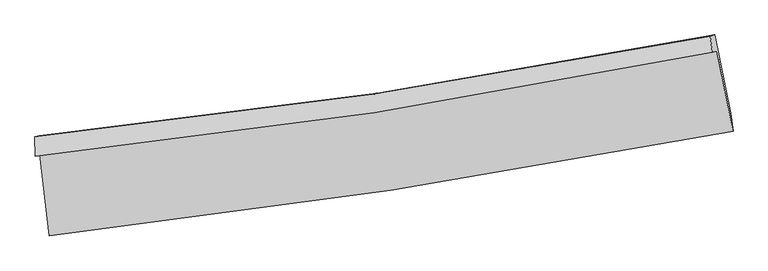
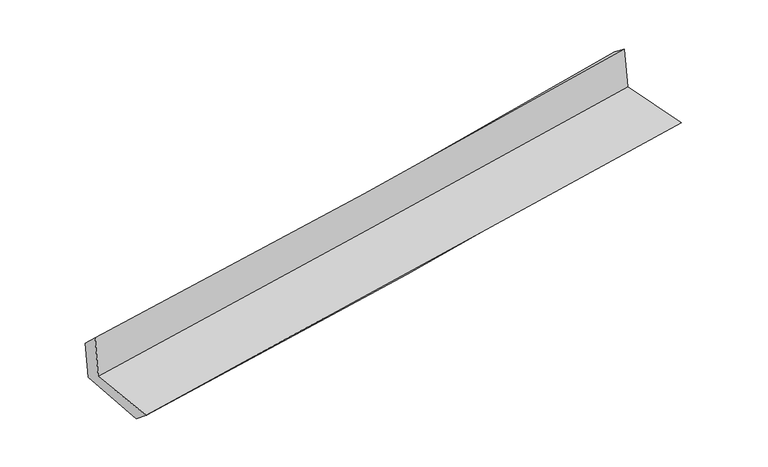
"""IFC4 building model written with IfcOpenShell, lengths in millimetres: proxy geometry."""

from ifc_helpers import new_model, si_unit, frame, origin, place, context, project, spatial, source, transform, mapped, element, save
from ifc_brep_helpers import plane_surface, spline_curve, spline_surface, advanced_brep


def generic_models_10d17b34(model_context):
    return source(origin(), model_context, "Body", "AdvancedBrep", [
        advanced_brep(
        [(-2791.3864828, -1898.6221257, 1642.2626325), (-2716.7703012, -2567.584391, 1628.1231413), (2875.9745476, -1711.0266245, 2103.6037383), (2744.0580245, -1056.3763543, 2111.9044253), (-2829.3939576, -1914.6700931, 2054.5727174), (2706.2911744, -1066.5045809, 2509.951126), (-2832.0722737, -1758.9551261, 1905.5456304), (2689.4832234, -934.1940154, 2413.0692599), (-2798.475271, -1749.7607332, 1546.7480549), (2724.8010854, -924.5801231, 2040.5485919), (-2721.7500727, -2410.9063327, 1501.8657397), (2857.2500607, -1566.7596282, 2001.9445978)],
        [
            (0, 1),
            (1, 2, spline_curve(3, [(-2716.7703012, -2567.584391, 1628.1231413), (-1784.322939366, -2462.071072003, 1744.255480736), (-853.041753882, -2338.128748394, 1841.899450295), (1011.216652768, -2052.769472895, 2000.553478061), (1944.183750078, -1891.192540932, 2061.403040674), (2875.9745476, -1711.0266245, 2103.6037383)], [4, 2, 4], [0.0, 9.25032856558659, 18.540720894743707])),
            (2, 3),
            (3, 0, spline_curve(3, [(2744.0580245, -1056.3763543, 2111.9044253), (1822.955152277, -1241.857864704, 2070.556638955), (900.116157056, -1404.889024379, 2010.621282357), (-945.046953488, -1685.444403421, 1853.914050062), (-1867.356127516, -1803.161834072, 1757.302142436), (-2791.3864828, -1898.6221257, 1642.2626325)], [4, 2, 4], [0.0, 9.290392329157116, 18.540720894743707])),
            (4, 0),
            (3, 5),
            (5, 4, spline_curve(3, [(2706.2911744, -1066.5045809, 2509.951126), (1786.305004703, -1254.425750135, 2462.319926718), (864.003015789, -1419.169549187, 2400.443410308), (-981.245292123, -1701.691917839, 2248.528009469), (-1904.171680375, -1819.669956444, 2158.611723341), (-2829.3939576, -1914.6700931, 2054.5727174)], [4, 2, 4], [0.0, 9.241951871689421, 18.444048873788944])),
            (6, 4),
            (5, 7),
            (7, 6, spline_curve(3, [(2689.4832234, -934.1940154, 2413.0692599), (1773.011465758, -1114.200916501, 2335.662428135), (853.645449465, -1273.0373278, 2254.566030868), (-986.897958195, -1547.775500924, 2085.359734585), (-1908.050440895, -1663.859460269, 1997.281588907), (-2832.0722737, -1758.9551261, 1905.5456304)], [4, 2, 4], [0.0, 9.229886249721797, 18.419969661480426])),
            (8, 6),
            (7, 9),
            (9, 8, spline_curve(3, [(2724.8010854, -924.5801231, 2040.5485919), (1808.234322237, -1104.607556929, 1963.368595781), (888.676880491, -1263.489321703, 1883.53390994), (-952.44097672, -1538.367541601, 1718.910884141), (-1873.975653492, -1654.54598023, 1634.145391245), (-2798.475271, -1749.7607332, 1546.7480549)], [4, 2, 4], [0.0, 9.219112186333183, 18.39846799662999])),
            (10, 8),
            (9, 11),
            (11, 10, spline_curve(3, [(2857.2500607, -1566.7596282, 2001.9445978), (1931.102010121, -1747.288116544, 1923.916858505), (1002.100538252, -1908.007212991, 1843.133759788), (-857.590729878, -2189.218964486, 1676.41709414), (-1788.255969182, -2309.882102979, 1590.507239924), (-2721.7500727, -2410.9063327, 1501.8657397)], [4, 2, 4], [0.0, 9.267227088591962, 18.49449031108685])),
            (1, 10),
            (11, 2),
        ],
        [
            spline_surface(3, 3, [[(-2791.3864828, -1898.6221257, 1642.2626325), (-1867.356127384, -1803.161834112, 1757.302142477), (-945.04695345, -1685.44440329, 1853.914050119), (900.116157018, -1404.889024511, 2010.621282299), (1822.955152207, -1241.857864859, 2070.556638918), (2744.0580245, -1056.3763543, 2111.9044253)], [(-2766.514422274, -2121.609547488, 1637.549468777), (-1839.678398051, -2022.798246731, 1752.953255212), (-914.378553563, -1903.005851647, 1849.909183485), (937.149655549, -1620.849173987, 2007.265347525), (1863.364684805, -1458.302756916, 2067.505439532), (2788.030198893, -1274.593111047, 2109.137529638)], [(-2741.642361726, -2344.596969212, 1632.836305023), (-1812.000668696, -2242.434659286, 1748.604367915), (-883.710153644, -2120.567299998, 1845.904316933), (974.183154111, -1836.809323458, 2003.909412832), (1903.774217325, -1674.747648933, 2064.454240131), (2832.002373207, -1492.809867753, 2106.370633962)], [(-2716.7703012, -2567.584391, 1628.1231413), (-1784.322939363, -2462.071071905, 1744.25548065), (-853.041753756, -2338.128748355, 1841.8994503), (1011.216652642, -2052.769472934, 2000.553478057), (1944.183749924, -1891.192540991, 2061.403040745), (2875.9745476, -1711.0266245, 2103.6037383)]], [4, 4], [4, 2, 4], [0.0, 2.159622536794594], [0.0, 9.25032856558659, 18.540720894743707]),
            spline_surface(3, 3, [[(-2829.3939576, -1914.6700931, 2054.5727174), (-1904.171680239, -1819.6699563, 2158.61172323), (-981.245292007, -1701.69191794, 2248.528009605), (864.003015673, -1419.169549086, 2400.443410172), (1786.305004784, -1254.425750031, 2462.319926692), (2706.2911744, -1066.5045809, 2509.951126)], [(-2816.724799335, -1909.32077064, 1917.136022411), (-1891.899829288, -1814.16724891, 2024.841862957), (-969.179179141, -1696.276079728, 2116.990023121), (876.040729469, -1414.409374232, 2270.502700892), (1798.521720584, -1250.236454977, 2331.732164096), (2718.880124425, -1063.12850537, 2377.268892428)], [(-2804.055641065, -1903.97144816, 1779.699327489), (-1879.627978334, -1808.664541501, 1891.07200275), (-957.113066317, -1690.860241502, 1985.452036603), (888.078443222, -1409.649199365, 2140.561991579), (1810.738436407, -1246.047159913, 2201.144401515), (2731.469074475, -1059.75242983, 2244.586658872)], [(-2791.3864828, -1898.6221257, 1642.2626325), (-1867.356127384, -1803.161834112, 1757.302142477), (-945.04695345, -1685.44440329, 1853.914050119), (900.116157018, -1404.889024511, 2010.621282299), (1822.955152207, -1241.857864859, 2070.556638918), (2744.0580245, -1056.3763543, 2111.9044253)]], [4, 4], [4, 2, 4], [0.0, 1.2931962392132201], [0.0, 9.202097002099523, 18.444048873788944]),
            spline_surface(3, 3, [[(-2832.0722737, -1758.9551261, 1905.5456304), (-1908.050440758, -1663.859460135, 1997.281588826), (-986.89795813, -1547.775500985, 2085.359734613), (853.6454494, -1273.03732774, 2254.56603084), (1773.011465817, -1114.200916631, 2335.662428207), (2689.4832234, -934.1940154, 2413.0692599)], [(-2831.179501662, -1810.860115094, 1955.221326074), (-1906.757520581, -1715.796292183, 2051.058300301), (-985.013736086, -1599.080973301, 2139.749159607), (857.097971494, -1321.748068187, 2303.191823947), (1777.442645478, -1160.942527753, 2377.881594355), (2695.085873739, -978.297537222, 2445.363215254)], [(-2830.286729638, -1862.765104106, 2004.897021726), (-1905.464600416, -1767.733124251, 2104.835011755), (-983.129514051, -1650.386445623, 2194.138584611), (860.550493579, -1370.458808639, 2351.817617065), (1781.873825123, -1207.684138909, 2420.100760543), (2700.688524061, -1022.401059078, 2477.657170646)], [(-2829.3939576, -1914.6700931, 2054.5727174), (-1904.171680239, -1819.6699563, 2158.61172323), (-981.245292007, -1701.69191794, 2248.528009605), (864.003015673, -1419.169549086, 2400.443410172), (1786.305004784, -1254.425750031, 2462.319926692), (2706.2911744, -1066.5045809, 2509.951126)]], [4, 4], [4, 2, 4], [0.0, 0.7069597112388246], [0.0, 9.190083411758629, 18.419969661480426]),
            spline_surface(3, 3, [[(-2798.475271, -1749.7607332, 1546.7480549), (-1873.975653629, -1654.545980323, 1634.14539112), (-952.440976668, -1538.367541651, 1718.910884181), (888.67688044, -1263.489321653, 1883.5339099), (1808.234322282, -1104.607556944, 1963.368595861), (2724.8010854, -924.5801231, 2040.5485919)], [(-2809.674271919, -1752.825530831, 1666.347246734), (-1885.333916025, -1657.650473591, 1755.190790356), (-963.926637158, -1541.503528083, 1841.060501013), (876.999736757, -1266.671990336, 2007.211283568), (1796.493370103, -1107.80534351, 2087.466539995), (2713.02846471, -927.78475387, 2164.722147918)], [(-2820.873272781, -1755.890328469, 1785.946438566), (-1896.692178363, -1660.754966866, 1876.23618959), (-975.41229764, -1544.639514553, 1963.210117781), (865.322593083, -1269.854659057, 2130.888657172), (1784.752417996, -1111.003130065, 2211.564484073), (2701.25584409, -930.98938463, 2288.895703882)], [(-2832.0722737, -1758.9551261, 1905.5456304), (-1908.050440758, -1663.859460135, 1997.281588826), (-986.89795813, -1547.775500985, 2085.359734613), (853.6454494, -1273.03732774, 2254.56603084), (1773.011465817, -1114.200916631, 2335.662428207), (2689.4832234, -934.1940154, 2413.0692599)]], [4, 4], [4, 2, 4], [0.0, 1.215567443709872], [0.0, 9.179355810296807, 18.39846799662999]),
            spline_surface(3, 3, [[(-2721.7500727, -2410.9063327, 1501.8657397), (-1788.255969077, -2309.882103047, 1590.507239998), (-857.590729893, -2189.218964599, 1676.417094063), (1002.100538266, -1908.007212877, 1843.133759866), (1931.102010262, -1747.288116519, 1923.916858512), (2857.2500607, -1566.7596282, 2001.9445978)], [(-2747.325138795, -2190.524466195, 1516.826511425), (-1816.829197256, -2091.4367288, 1605.053290364), (-889.207478834, -1972.268490307, 1690.581690746), (964.292652308, -1693.167915826, 1856.600476521), (1890.146114296, -1533.061263343, 1937.067437615), (2813.100402294, -1352.699793182, 2014.81259582)], [(-2772.900204905, -1970.142599705, 1531.787283175), (-1845.402425451, -1872.991354569, 1619.599340754), (-920.824227727, -1755.318015944, 1704.746287498), (926.484766398, -1478.328618704, 1870.067193245), (1849.190218248, -1318.83441012, 1950.218016759), (2768.950743806, -1138.639958118, 2027.68059388)], [(-2798.475271, -1749.7607332, 1546.7480549), (-1873.975653629, -1654.545980323, 1634.14539112), (-952.440976668, -1538.367541651, 1718.910884181), (888.67688044, -1263.489321653, 1883.5339099), (1808.234322282, -1104.607556944, 1963.368595861), (2724.8010854, -924.5801231, 2040.5485919)]], [4, 4], [4, 2, 4], [0.0, 2.1565079507211404], [0.0, 9.227263222494887, 18.49449031108685]),
            spline_surface(3, 3, [[(-2716.7703012, -2567.584391, 1628.1231413), (-1784.322939363, -2462.071071905, 1744.25548065), (-853.041753756, -2338.128748355, 1841.8994503), (1011.216652642, -2052.769472934, 2000.553478057), (1944.183749924, -1891.192540991, 2061.403040745), (2875.9745476, -1711.0266245, 2103.6037383)], [(-2718.430225015, -2515.358371553, 1586.037340779), (-1785.633949249, -2411.341415605, 1693.006067111), (-854.558079122, -2288.492153754, 1786.738664909), (1008.177947863, -2004.515386234, 1948.080238681), (1939.823170009, -1843.224399476, 2015.574313343), (2869.733051939, -1662.937625709, 2069.717358142)], [(-2720.090148885, -2463.132352147, 1543.951540221), (-1786.94495919, -2360.611759347, 1641.756653536), (-856.074404527, -2238.855559199, 1731.577879454), (1005.139243045, -1956.261299578, 1895.606999241), (1935.462590177, -1795.256258034, 1969.745585914), (2863.491556361, -1614.848626991, 2035.830977958)], [(-2721.7500727, -2410.9063327, 1501.8657397), (-1788.255969077, -2309.882103047, 1590.507239998), (-857.590729893, -2189.218964599, 1676.417094063), (1002.100538266, -1908.007212877, 1843.133759866), (1931.102010262, -1747.288116519, 1923.916858512), (2857.2500607, -1566.7596282, 2001.9445978)]], [4, 4], [4, 2, 4], [0.0, 0.7162889513964729], [0.0, 9.286087376798928, 18.612393390862632]),
            plane_surface(frame((2766.309686, -1209.9068877, 2196.8369565), z_axis=(0.9758578587251158, 0.1954050140103733, 0.09756187812889888), x_axis=(-0.09435341616839225, -0.025683989034760372, 0.995207398266621))),
            plane_surface(frame((-2781.6413932, -2050.0831336, 1713.1863194), z_axis=(-0.9895210283258363, -0.10835424944705278, -0.09543317624257017), x_axis=(-0.1108283057793002, 0.9936176434223922, 0.021001555128652313))),
        ],
        [
            (0, [[1, 2, 3, 4]]),
            (1, [[5, -4, 6, 7]]),
            (2, [[8, -7, 9, 10]]),
            (3, [[11, -10, 12, 13]]),
            (4, [[14, -13, 15, 16]]),
            (5, [[17, -16, 18, -2]]),
            (6, [[-12, -9, -6, -3, -18, -15]]),
            (7, [[-1, -5, -8, -11, -14, -17]]),
        ],
    ),
    ])


if __name__ == "__main__":
    model = new_model("IFC4")
    model_context = context("Model", 3, world=origin())
    ifc_project = project(units=[si_unit("LENGTHUNIT", "METRE", prefix="MILLI")], contexts=[model_context])
    site = spatial("IfcSite", under=ifc_project)
    building = spatial("IfcBuilding", under=site)
    placement = place(None, origin())
    generic_models_shape = generic_models_10d17b34(model_context)
    element("IfcBuildingElementProxy", 1, Name="Generic Models", at=placement, inside=building, context=model_context, shape_type="MappedRepresentation", body=[
        mapped(generic_models_shape, transform((0.0, 0.0, 0.0), x_axis=(1.0, 0.0, 0.0), y_axis=(0.0, 1.0, 0.0), z_axis=(0.0, 0.0, 1.0))),
    ])
    save(model, "model.ifc")
